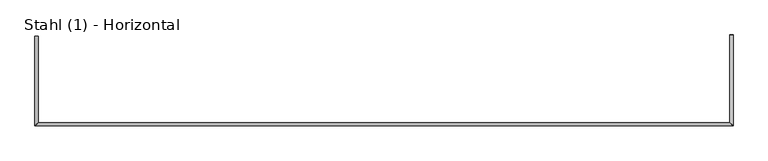
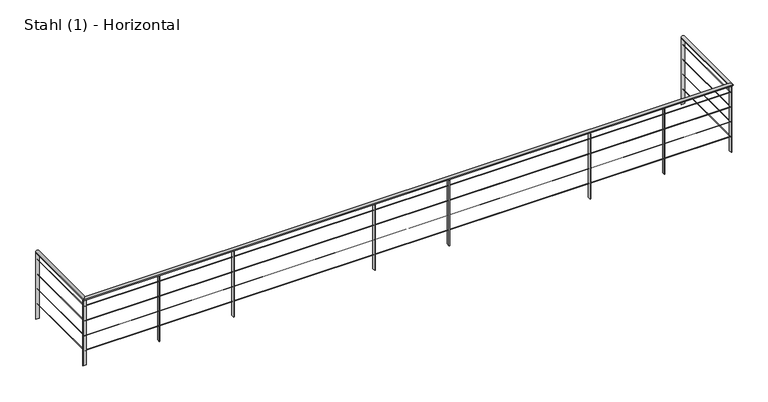
"""IFC4 building model written with IfcOpenShell, lengths in millimetres: railing geometry, Stahl (1) - Horizontal."""

from ifc_helpers import new_model, si_unit, frame, origin, place, context, project, spatial, polyline, circle_curve, ellipse_curve, outline, extrude, source, transform, mapped, element, save
from ifc_brep_helpers import plane_surface, cylinder_surface, advanced_brep


def stahl_1_horizontal_b5c6d47f(model_context):
    return source(origin(), model_context, "Body", "SolidModel", [
        advanced_brep(
        [(-13469.4078582, 4873.8929131, 4700.0), (-13509.4078582, 4873.8929131, 4700.0), (-13469.4078582, 3850.5303268, 4700.0), (-13509.4078582, 3810.5303268, 4700.0), (-5266.5406948, 3850.5303268, 4700.0), (-5226.5406948, 3810.5303268, 4700.0), (-5266.5406948, 4887.0303268, 4700.0), (-5226.5406948, 4887.0303268, 4700.0)],
        [
            (0, 1, circle_curve(frame((-13489.4078582, 4873.8929131, 4700.0), z_axis=(0.0, 1.0, 0.0), x_axis=(-1.0, 0.0, 0.0)), 20.0)),
            (1, 0, circle_curve(frame((-13489.4078582, 4873.8929131, 4700.0), z_axis=(0.0, 1.0, 0.0), x_axis=(-1.0, 0.0, 0.0)), 20.0)),
            (0, 2),
            (2, 3, ellipse_curve(frame((-13489.4078582, 3830.5303268, 4700.0), z_axis=(-0.7071067811865487, 0.7071067811865462, 0.0), x_axis=(0.7071067811865461, 0.7071067811865488, 0.0)), 28.2842712, 20.0)),
            (3, 1),
            (3, 2, ellipse_curve(frame((-13489.4078582, 3830.5303268, 4700.0), z_axis=(-0.7071067811865487, 0.7071067811865462, 0.0), x_axis=(0.7071067811865461, 0.7071067811865488, 0.0)), 28.2842712, 20.0)),
            (2, 4),
            (4, 5, ellipse_curve(frame((-5246.5406948, 3830.5303268, 4700.0), z_axis=(-0.7071067811865462, -0.7071067811865487, 0.0), x_axis=(-0.7071067811865488, 0.7071067811865461, 0.0)), 28.2842712, 20.0)),
            (5, 3),
            (5, 4, ellipse_curve(frame((-5246.5406948, 3830.5303268, 4700.0), z_axis=(-0.7071067811865462, -0.7071067811865487, 0.0), x_axis=(-0.7071067811865488, 0.7071067811865461, 0.0)), 28.2842712, 20.0)),
            (6, 7, circle_curve(frame((-5246.5406948, 4887.0303268, 4700.0), z_axis=(0.0, 1.0, 0.0), x_axis=(1.0, 0.0, 0.0)), 20.0)),
            (7, 6, circle_curve(frame((-5246.5406948, 4887.0303268, 4700.0), z_axis=(0.0, 1.0, 0.0), x_axis=(1.0, 0.0, 0.0)), 20.0)),
            (4, 6),
            (7, 5),
        ],
        [
            plane_surface(frame((-13489.4078582, 4873.8929131, 4720.0), z_axis=(0.0, 1.0, 0.0), x_axis=(0.0, 0.0, -1.0))),
            cylinder_surface(frame((-13489.4078582, 4873.8929131, 4700.0), z_axis=(0.0, 1.0, 0.0), x_axis=(-1.0, 0.0, 0.0)), 20.0),
            cylinder_surface(frame((-13489.4078582, 3830.5303268, 4700.0), z_axis=(-1.0, 0.0, 0.0), x_axis=(0.0, -1.0, 0.0)), 20.0),
            plane_surface(frame((-5246.5406948, 4887.0303268, 4720.0), z_axis=(0.0, 1.0, 0.0), x_axis=(0.0, 0.0, 1.0))),
            cylinder_surface(frame((-5246.5406948, 3830.5303268, 4700.0), z_axis=(0.0, -1.0, 0.0), x_axis=(1.0, 0.0, 0.0)), 20.0),
        ],
        [
            (0, [[1, 2]]),
            (1, [[-1, 3, 4, 5]]),
            (1, [[-2, -5, 6, -3]]),
            (2, [[-4, 7, 8, 9]]),
            (2, [[-6, -9, 10, -7]]),
            (3, [[11, 12]]),
            (4, [[-8, 13, -12, 14]]),
            (4, [[-10, -14, -11, -13]]),
        ],
    ),
        advanced_brep(
        [(-13487.9078582, 4873.8929131, 4598.5), (-13490.9078582, 4873.8929131, 4598.5), (-13487.9078582, 3832.0303268, 4598.5), (-13490.9078582, 3829.0303268, 4598.5), (-5248.0406948, 3832.0303268, 4598.5), (-5245.0406948, 3829.0303268, 4598.5), (-5248.0406948, 4887.0303268, 4598.5), (-5245.0406948, 4887.0303268, 4598.5)],
        [
            (0, 1, circle_curve(frame((-13489.4078582, 4873.8929131, 4598.5), z_axis=(0.0, 1.0, 0.0), x_axis=(-1.0, 0.0, 0.0)), 1.5)),
            (1, 0, circle_curve(frame((-13489.4078582, 4873.8929131, 4598.5), z_axis=(0.0, 1.0, 0.0), x_axis=(-1.0, 0.0, 0.0)), 1.5)),
            (0, 2),
            (2, 3, ellipse_curve(frame((-13489.4078582, 3830.5303268, 4598.5), z_axis=(-0.7071067811865487, 0.7071067811865462, 0.0), x_axis=(0.7071067811865461, 0.7071067811865488, 0.0)), 2.1213203, 1.5)),
            (3, 1),
            (3, 2, ellipse_curve(frame((-13489.4078582, 3830.5303268, 4598.5), z_axis=(-0.7071067811865487, 0.7071067811865462, 0.0), x_axis=(0.7071067811865461, 0.7071067811865488, 0.0)), 2.1213203, 1.5)),
            (2, 4),
            (4, 5, ellipse_curve(frame((-5246.5406948, 3830.5303268, 4598.5), z_axis=(-0.7071067811865462, -0.7071067811865487, 0.0), x_axis=(-0.7071067811865488, 0.7071067811865461, 0.0)), 2.1213203, 1.5)),
            (5, 3),
            (5, 4, ellipse_curve(frame((-5246.5406948, 3830.5303268, 4598.5), z_axis=(-0.7071067811865462, -0.7071067811865487, 0.0), x_axis=(-0.7071067811865488, 0.7071067811865461, 0.0)), 2.1213203, 1.5)),
            (6, 7, circle_curve(frame((-5246.5406948, 4887.0303268, 4598.5), z_axis=(0.0, 1.0, 0.0), x_axis=(1.0, 0.0, 0.0)), 1.5)),
            (7, 6, circle_curve(frame((-5246.5406948, 4887.0303268, 4598.5), z_axis=(0.0, 1.0, 0.0), x_axis=(1.0, 0.0, 0.0)), 1.5)),
            (4, 6),
            (7, 5),
        ],
        [
            plane_surface(frame((-13489.4078582, 4873.8929131, 4600.0), z_axis=(0.0, 1.0, 0.0), x_axis=(0.0, 0.0, -1.0))),
            cylinder_surface(frame((-13489.4078582, 4873.8929131, 4598.5), z_axis=(0.0, 1.0, 0.0), x_axis=(-1.0, 0.0, 0.0)), 1.5),
            cylinder_surface(frame((-13489.4078582, 3830.5303268, 4598.5), z_axis=(-1.0, 0.0, 0.0), x_axis=(0.0, -1.0, 0.0)), 1.5),
            plane_surface(frame((-5246.5406948, 4887.0303268, 4600.0), z_axis=(0.0, 1.0, 0.0), x_axis=(0.0, 0.0, 1.0))),
            cylinder_surface(frame((-5246.5406948, 3830.5303268, 4598.5), z_axis=(0.0, -1.0, 0.0), x_axis=(1.0, 0.0, 0.0)), 1.5),
        ],
        [
            (0, [[1, 2]]),
            (1, [[-1, 3, 4, 5]]),
            (1, [[-2, -5, 6, -3]]),
            (2, [[-4, 7, 8, 9]]),
            (2, [[-6, -9, 10, -7]]),
            (3, [[11, 12]]),
            (4, [[-8, 13, -12, 14]]),
            (4, [[-10, -14, -11, -13]]),
        ],
    ),
        advanced_brep(
        [(-13487.9078582, 4873.8929131, 4398.5), (-13490.9078582, 4873.8929131, 4398.5), (-13487.9078582, 3832.0303268, 4398.5), (-13490.9078582, 3829.0303268, 4398.5), (-5248.0406948, 3832.0303268, 4398.5), (-5245.0406948, 3829.0303268, 4398.5), (-5248.0406948, 4887.0303268, 4398.5), (-5245.0406948, 4887.0303268, 4398.5)],
        [
            (0, 1, circle_curve(frame((-13489.4078582, 4873.8929131, 4398.5), z_axis=(0.0, 1.0, 0.0), x_axis=(-1.0, 0.0, 0.0)), 1.5)),
            (1, 0, circle_curve(frame((-13489.4078582, 4873.8929131, 4398.5), z_axis=(0.0, 1.0, 0.0), x_axis=(-1.0, 0.0, 0.0)), 1.5)),
            (0, 2),
            (2, 3, ellipse_curve(frame((-13489.4078582, 3830.5303268, 4398.5), z_axis=(-0.7071067811865487, 0.7071067811865462, 0.0), x_axis=(0.7071067811865461, 0.7071067811865488, 0.0)), 2.1213203, 1.5)),
            (3, 1),
            (3, 2, ellipse_curve(frame((-13489.4078582, 3830.5303268, 4398.5), z_axis=(-0.7071067811865487, 0.7071067811865462, 0.0), x_axis=(0.7071067811865461, 0.7071067811865488, 0.0)), 2.1213203, 1.5)),
            (2, 4),
            (4, 5, ellipse_curve(frame((-5246.5406948, 3830.5303268, 4398.5), z_axis=(-0.7071067811865462, -0.7071067811865487, 0.0), x_axis=(-0.7071067811865488, 0.7071067811865461, 0.0)), 2.1213203, 1.5)),
            (5, 3),
            (5, 4, ellipse_curve(frame((-5246.5406948, 3830.5303268, 4398.5), z_axis=(-0.7071067811865462, -0.7071067811865487, 0.0), x_axis=(-0.7071067811865488, 0.7071067811865461, 0.0)), 2.1213203, 1.5)),
            (6, 7, circle_curve(frame((-5246.5406948, 4887.0303268, 4398.5), z_axis=(0.0, 1.0, 0.0), x_axis=(1.0, 0.0, 0.0)), 1.5)),
            (7, 6, circle_curve(frame((-5246.5406948, 4887.0303268, 4398.5), z_axis=(0.0, 1.0, 0.0), x_axis=(1.0, 0.0, 0.0)), 1.5)),
            (4, 6),
            (7, 5),
        ],
        [
            plane_surface(frame((-13489.4078582, 4873.8929131, 4400.0), z_axis=(0.0, 1.0, 0.0), x_axis=(0.0, 0.0, -1.0))),
            cylinder_surface(frame((-13489.4078582, 4873.8929131, 4398.5), z_axis=(0.0, 1.0, 0.0), x_axis=(-1.0, 0.0, 0.0)), 1.5),
            cylinder_surface(frame((-13489.4078582, 3830.5303268, 4398.5), z_axis=(-1.0, 0.0, 0.0), x_axis=(0.0, -1.0, 0.0)), 1.5),
            plane_surface(frame((-5246.5406948, 4887.0303268, 4400.0), z_axis=(0.0, 1.0, 0.0), x_axis=(0.0, 0.0, 1.0))),
            cylinder_surface(frame((-5246.5406948, 3830.5303268, 4398.5), z_axis=(0.0, -1.0, 0.0), x_axis=(1.0, 0.0, 0.0)), 1.5),
        ],
        [
            (0, [[1, 2]]),
            (1, [[-1, 3, 4, 5]]),
            (1, [[-2, -5, 6, -3]]),
            (2, [[-4, 7, 8, 9]]),
            (2, [[-6, -9, 10, -7]]),
            (3, [[11, 12]]),
            (4, [[-8, 13, -12, 14]]),
            (4, [[-10, -14, -11, -13]]),
        ],
    ),
        advanced_brep(
        [(-13487.9078582, 4873.8929131, 4198.5), (-13490.9078582, 4873.8929131, 4198.5), (-13487.9078582, 3832.0303268, 4198.5), (-13490.9078582, 3829.0303268, 4198.5), (-5248.0406948, 3832.0303268, 4198.5), (-5245.0406948, 3829.0303268, 4198.5), (-5248.0406948, 4887.0303268, 4198.5), (-5245.0406948, 4887.0303268, 4198.5)],
        [
            (0, 1, circle_curve(frame((-13489.4078582, 4873.8929131, 4198.5), z_axis=(0.0, 1.0, 0.0), x_axis=(-1.0, 0.0, 0.0)), 1.5)),
            (1, 0, circle_curve(frame((-13489.4078582, 4873.8929131, 4198.5), z_axis=(0.0, 1.0, 0.0), x_axis=(-1.0, 0.0, 0.0)), 1.5)),
            (0, 2),
            (2, 3, ellipse_curve(frame((-13489.4078582, 3830.5303268, 4198.5), z_axis=(-0.7071067811865487, 0.7071067811865462, 0.0), x_axis=(0.7071067811865461, 0.7071067811865488, 0.0)), 2.1213203, 1.5)),
            (3, 1),
            (3, 2, ellipse_curve(frame((-13489.4078582, 3830.5303268, 4198.5), z_axis=(-0.7071067811865487, 0.7071067811865462, 0.0), x_axis=(0.7071067811865461, 0.7071067811865488, 0.0)), 2.1213203, 1.5)),
            (2, 4),
            (4, 5, ellipse_curve(frame((-5246.5406948, 3830.5303268, 4198.5), z_axis=(-0.7071067811865462, -0.7071067811865487, 0.0), x_axis=(-0.7071067811865488, 0.7071067811865461, 0.0)), 2.1213203, 1.5)),
            (5, 3),
            (5, 4, ellipse_curve(frame((-5246.5406948, 3830.5303268, 4198.5), z_axis=(-0.7071067811865462, -0.7071067811865487, 0.0), x_axis=(-0.7071067811865488, 0.7071067811865461, 0.0)), 2.1213203, 1.5)),
            (6, 7, circle_curve(frame((-5246.5406948, 4887.0303268, 4198.5), z_axis=(0.0, 1.0, 0.0), x_axis=(1.0, 0.0, 0.0)), 1.5)),
            (7, 6, circle_curve(frame((-5246.5406948, 4887.0303268, 4198.5), z_axis=(0.0, 1.0, 0.0), x_axis=(1.0, 0.0, 0.0)), 1.5)),
            (4, 6),
            (7, 5),
        ],
        [
            plane_surface(frame((-13489.4078582, 4873.8929131, 4200.0), z_axis=(0.0, 1.0, 0.0), x_axis=(0.0, 0.0, -1.0))),
            cylinder_surface(frame((-13489.4078582, 4873.8929131, 4198.5), z_axis=(0.0, 1.0, 0.0), x_axis=(-1.0, 0.0, 0.0)), 1.5),
            cylinder_surface(frame((-13489.4078582, 3830.5303268, 4198.5), z_axis=(-1.0, 0.0, 0.0), x_axis=(0.0, -1.0, 0.0)), 1.5),
            plane_surface(frame((-5246.5406948, 4887.0303268, 4200.0), z_axis=(0.0, 1.0, 0.0), x_axis=(0.0, 0.0, 1.0))),
            cylinder_surface(frame((-5246.5406948, 3830.5303268, 4198.5), z_axis=(0.0, -1.0, 0.0), x_axis=(1.0, 0.0, 0.0)), 1.5),
        ],
        [
            (0, [[1, 2]]),
            (1, [[-1, 3, 4, 5]]),
            (1, [[-2, -5, 6, -3]]),
            (2, [[-4, 7, 8, 9]]),
            (2, [[-6, -9, 10, -7]]),
            (3, [[11, 12]]),
            (4, [[-8, 13, -12, 14]]),
            (4, [[-10, -14, -11, -13]]),
        ],
    ),
        advanced_brep(
        [(-13487.9078582, 4873.8929131, 3998.5), (-13490.9078582, 4873.8929131, 3998.5), (-13487.9078582, 3832.0303268, 3998.5), (-13490.9078582, 3829.0303268, 3998.5), (-5248.0406948, 3832.0303268, 3998.5), (-5245.0406948, 3829.0303268, 3998.5), (-5248.0406948, 4887.0303268, 3998.5), (-5245.0406948, 4887.0303268, 3998.5)],
        [
            (0, 1, circle_curve(frame((-13489.4078582, 4873.8929131, 3998.5), z_axis=(0.0, 1.0, 0.0), x_axis=(-1.0, 0.0, 0.0)), 1.5)),
            (1, 0, circle_curve(frame((-13489.4078582, 4873.8929131, 3998.5), z_axis=(0.0, 1.0, 0.0), x_axis=(-1.0, 0.0, 0.0)), 1.5)),
            (0, 2),
            (2, 3, ellipse_curve(frame((-13489.4078582, 3830.5303268, 3998.5), z_axis=(-0.7071067811865487, 0.7071067811865462, 0.0), x_axis=(0.7071067811865461, 0.7071067811865488, 0.0)), 2.1213203, 1.5)),
            (3, 1),
            (3, 2, ellipse_curve(frame((-13489.4078582, 3830.5303268, 3998.5), z_axis=(-0.7071067811865487, 0.7071067811865462, 0.0), x_axis=(0.7071067811865461, 0.7071067811865488, 0.0)), 2.1213203, 1.5)),
            (2, 4),
            (4, 5, ellipse_curve(frame((-5246.5406948, 3830.5303268, 3998.5), z_axis=(-0.7071067811865462, -0.7071067811865487, 0.0), x_axis=(-0.7071067811865488, 0.7071067811865461, 0.0)), 2.1213203, 1.5)),
            (5, 3),
            (5, 4, ellipse_curve(frame((-5246.5406948, 3830.5303268, 3998.5), z_axis=(-0.7071067811865462, -0.7071067811865487, 0.0), x_axis=(-0.7071067811865488, 0.7071067811865461, 0.0)), 2.1213203, 1.5)),
            (6, 7, circle_curve(frame((-5246.5406948, 4887.0303268, 3998.5), z_axis=(0.0, 1.0, 0.0), x_axis=(1.0, 0.0, 0.0)), 1.5)),
            (7, 6, circle_curve(frame((-5246.5406948, 4887.0303268, 3998.5), z_axis=(0.0, 1.0, 0.0), x_axis=(1.0, 0.0, 0.0)), 1.5)),
            (4, 6),
            (7, 5),
        ],
        [
            plane_surface(frame((-13489.4078582, 4873.8929131, 4000.0), z_axis=(0.0, 1.0, 0.0), x_axis=(0.0, 0.0, -1.0))),
            cylinder_surface(frame((-13489.4078582, 4873.8929131, 3998.5), z_axis=(0.0, 1.0, 0.0), x_axis=(-1.0, 0.0, 0.0)), 1.5),
            cylinder_surface(frame((-13489.4078582, 3830.5303268, 3998.5), z_axis=(-1.0, 0.0, 0.0), x_axis=(0.0, -1.0, 0.0)), 1.5),
            plane_surface(frame((-5246.5406948, 4887.0303268, 4000.0), z_axis=(0.0, 1.0, 0.0), x_axis=(0.0, 0.0, 1.0))),
            cylinder_surface(frame((-5246.5406948, 3830.5303268, 3998.5), z_axis=(0.0, -1.0, 0.0), x_axis=(1.0, 0.0, 0.0)), 1.5),
        ],
        [
            (0, [[1, 2]]),
            (1, [[-1, 3, 4, 5]]),
            (1, [[-2, -5, 6, -3]]),
            (2, [[-4, 7, 8, 9]]),
            (2, [[-6, -9, 10, -7]]),
            (3, [[11, 12]]),
            (4, [[-8, 13, -12, 14]]),
            (4, [[-10, -14, -11, -13]]),
        ],
    ),
        extrude(outline(polyline([(-6103.251091, 3810.5303268), (-6103.251091, 3850.5303268), (-6095.251091, 3850.5303268), (-6095.251091, 3810.5303268), (-6103.251091, 3810.5303268)])), frame((0.0, 0.0, 3800.0), z_axis=(0.0, 0.0, 1.0), x_axis=(1.0, 0.0, 0.0)), (0.0, 0.0, 1.0), 880.0),
        extrude(outline(polyline([(-7050.7070868, 3810.5303268), (-7050.7070868, 3850.5303268), (-7042.7070868, 3850.5303268), (-7042.7070868, 3810.5303268), (-7050.7070868, 3810.5303268)])), frame((0.0, 0.0, 3800.0), z_axis=(0.0, 0.0, 1.0), x_axis=(1.0, 0.0, 0.0)), (0.0, 0.0, 1.0), 880.0),
        extrude(outline(polyline([(-8850.8734788, 3810.5303268), (-8850.8734788, 3850.5303268), (-8842.8734788, 3850.5303268), (-8842.8734788, 3810.5303268), (-8850.8734788, 3810.5303268)])), frame((0.0, 0.0, 3800.0), z_axis=(0.0, 0.0, 1.0), x_axis=(1.0, 0.0, 0.0)), (0.0, 0.0, 1.0), 880.0),
        extrude(outline(polyline([(-9798.3294746, 3810.5303268), (-9798.3294746, 3850.5303268), (-9790.3294746, 3850.5303268), (-9790.3294746, 3810.5303268), (-9798.3294746, 3810.5303268)])), frame((0.0, 0.0, 3800.0), z_axis=(0.0, 0.0, 1.0), x_axis=(1.0, 0.0, 0.0)), (0.0, 0.0, 1.0), 880.0),
        extrude(outline(polyline([(-11598.4958666, 3810.5303268), (-11598.4958666, 3850.5303268), (-11590.4958666, 3850.5303268), (-11590.4958666, 3810.5303268), (-11598.4958666, 3810.5303268)])), frame((0.0, 0.0, 3800.0), z_axis=(0.0, 0.0, 1.0), x_axis=(1.0, 0.0, 0.0)), (0.0, 0.0, 1.0), 880.0),
        extrude(outline(polyline([(-12545.9518624, 3810.5303268), (-12545.9518624, 3850.5303268), (-12537.9518624, 3850.5303268), (-12537.9518624, 3810.5303268), (-12545.9518624, 3810.5303268)])), frame((0.0, 0.0, 3800.0), z_axis=(0.0, 0.0, 1.0), x_axis=(1.0, 0.0, 0.0)), (0.0, 0.0, 1.0), 880.0),
        extrude(outline(polyline([(-5250.5406948, 3810.5303268), (-5250.5406948, 3850.5303268), (-5242.5406948, 3850.5303268), (-5242.5406948, 3810.5303268), (-5250.5406948, 3810.5303268)])), frame((0.0, 0.0, 3800.0), z_axis=(0.0, 0.0, 1.0), x_axis=(1.0, 0.0, 0.0)), (0.0, 0.0, 1.0), 880.0),
        extrude(outline(polyline([(-13509.4078582, 3834.5303268), (-13469.4078582, 3834.5303268), (-13469.4078582, 3826.5303268), (-13509.4078582, 3826.5303268), (-13509.4078582, 3834.5303268)])), frame((0.0, 0.0, 3800.0), z_axis=(0.0, 0.0, 1.0), x_axis=(1.0, 0.0, 0.0)), (0.0, 0.0, 1.0), 880.0),
        extrude(outline(polyline([(-5226.5406948, 4883.0303268), (-5266.5406948, 4883.0303268), (-5266.5406948, 4891.0303268), (-5226.5406948, 4891.0303268), (-5226.5406948, 4883.0303268)])), frame((0.0, 0.0, 3800.0), z_axis=(0.0, 0.0, 1.0), x_axis=(1.0, 0.0, 0.0)), (0.0, 0.0, 1.0), 880.0),
        extrude(outline(polyline([(-13509.4078582, 4877.8929131), (-13469.4078582, 4877.8929131), (-13469.4078582, 4869.8929131), (-13509.4078582, 4869.8929131), (-13509.4078582, 4877.8929131)])), frame((0.0, 0.0, 3800.0), z_axis=(0.0, 0.0, 1.0), x_axis=(1.0, 0.0, 0.0)), (0.0, 0.0, 1.0), 880.0),
    ])


if __name__ == "__main__":
    model = new_model("IFC4")
    model_context = context("Model", 3, world=origin())
    ifc_project = project(units=[si_unit("LENGTHUNIT", "METRE", prefix="MILLI")], contexts=[model_context])
    site = spatial("IfcSite", under=ifc_project)
    building = spatial("IfcBuilding", under=site)
    placement = place(None, origin())
    stahl_1_horizontal_shape = stahl_1_horizontal_b5c6d47f(model_context)
    element("IfcRailing", 1, ObjectType="Stahl (1) - Horizontal", at=placement, inside=building, context=model_context, shape_type="MappedRepresentation", body=[
        mapped(stahl_1_horizontal_shape, transform((0.0, 0.0, 0.0), x_axis=(1.0, 0.0, 0.0), y_axis=(0.0, 1.0, 0.0), z_axis=(0.0, 0.0, 1.0))),
    ])
    save(model, "model.ifc")
